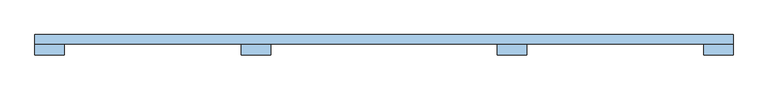
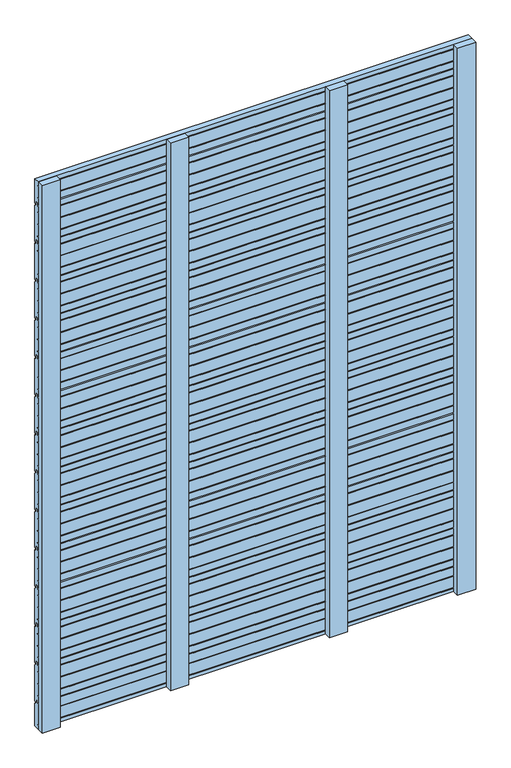
"""IFC4 building model written with IfcOpenShell, lengths in millimetres: window geometry."""

from ifc_helpers import new_model, si_unit, frame, origin, place, context, project, spatial, polyline, outline, extrude, source, transform, mapped, element, save


def window_e622beba(model_context):
    return source(origin(), model_context, "Body", "SweptSolid", [
        extrude(outline(polyline([(144.0, 193.0), (141.0, 190.0), (137.0, 190.0), (137.0, 202.0), (131.0, 202.0), (131.0, 194.0), (124.0, 194.0), (124.0, 218.25), (130.0, 218.25), (130.0, 221.75), (124.0, 221.75), (124.0, 261.8110702), (130.0, 261.8110702), (130.0, 265.3110702), (124.0, 265.3110702), (124.0, 305.3721403), (130.0, 305.3721403), (130.0, 308.8721403), (124.0, 308.8721403), (124.0, 330.0), (131.0, 330.0), (131.0, 340.0), (137.0, 340.0), (137.0, 326.0), (141.0, 326.0), (144.0, 323.0), (144.0, 193.0)])), frame((-750.0, 0.0, 0.0), z_axis=(1.0, 0.0, 0.0), x_axis=(0.0, 1.0, 0.0)), (0.0, 0.0, 1.0), 1500.0),
        extrude(outline(polyline([(144.0, 333.0), (141.0, 330.0), (137.0, 330.0), (137.0, 342.0), (131.0, 342.0), (131.0, 334.0), (124.0, 334.0), (124.0, 358.25), (130.0, 358.25), (130.0, 361.75), (124.0, 361.75), (124.0, 401.8110702), (130.0, 401.8110702), (130.0, 405.3110702), (124.0, 405.3110702), (124.0, 445.3721403), (130.0, 445.3721403), (130.0, 448.8721403), (124.0, 448.8721403), (124.0, 470.0), (131.0, 470.0), (131.0, 480.0), (137.0, 480.0), (137.0, 466.0), (141.0, 466.0), (144.0, 463.0), (144.0, 333.0)])), frame((-750.0, 0.0, 0.0), z_axis=(1.0, 0.0, 0.0), x_axis=(0.0, 1.0, 0.0)), (0.0, 0.0, 1.0), 1500.0),
        extrude(outline(polyline([(144.0, 473.0), (141.0, 470.0), (137.0, 470.0), (137.0, 482.0), (131.0, 482.0), (131.0, 474.0), (124.0, 474.0), (124.0, 498.25), (130.0, 498.25), (130.0, 501.75), (124.0, 501.75), (124.0, 541.8110702), (130.0, 541.8110702), (130.0, 545.3110702), (124.0, 545.3110702), (124.0, 585.3721403), (130.0, 585.3721403), (130.0, 588.8721403), (124.0, 588.8721403), (124.0, 610.0), (131.0, 610.0), (131.0, 620.0), (137.0, 620.0), (137.0, 606.0), (141.0, 606.0), (144.0, 603.0), (144.0, 473.0)])), frame((-750.0, 0.0, 0.0), z_axis=(1.0, 0.0, 0.0), x_axis=(0.0, 1.0, 0.0)), (0.0, 0.0, 1.0), 1500.0),
        extrude(outline(polyline([(144.0, 613.0), (141.0, 610.0), (137.0, 610.0), (137.0, 622.0), (131.0, 622.0), (131.0, 614.0), (124.0, 614.0), (124.0, 638.25), (130.0, 638.25), (130.0, 641.75), (124.0, 641.75), (124.0, 681.8110702), (130.0, 681.8110702), (130.0, 685.3110702), (124.0, 685.3110702), (124.0, 725.3721403), (130.0, 725.3721403), (130.0, 728.8721403), (124.0, 728.8721403), (124.0, 750.0), (131.0, 750.0), (131.0, 760.0), (137.0, 760.0), (137.0, 746.0), (141.0, 746.0), (144.0, 743.0), (144.0, 613.0)])), frame((-750.0, 0.0, 0.0), z_axis=(1.0, 0.0, 0.0), x_axis=(0.0, 1.0, 0.0)), (0.0, 0.0, 1.0), 1500.0),
        extrude(outline(polyline([(144.0, 753.0), (141.0, 750.0), (137.0, 750.0), (137.0, 762.0), (131.0, 762.0), (131.0, 754.0), (124.0, 754.0), (124.0, 778.25), (130.0, 778.25), (130.0, 781.75), (124.0, 781.75), (124.0, 821.8110702), (130.0, 821.8110702), (130.0, 825.3110702), (124.0, 825.3110702), (124.0, 865.3721403), (130.0, 865.3721403), (130.0, 868.8721403), (124.0, 868.8721403), (124.0, 890.0), (131.0, 890.0), (131.0, 900.0), (137.0, 900.0), (137.0, 886.0), (141.0, 886.0), (144.0, 883.0), (144.0, 753.0)])), frame((-750.0, 0.0, 0.0), z_axis=(1.0, 0.0, 0.0), x_axis=(0.0, 1.0, 0.0)), (0.0, 0.0, 1.0), 1500.0),
        extrude(outline(polyline([(144.0, 893.0), (141.0, 890.0), (137.0, 890.0), (137.0, 902.0), (131.0, 902.0), (131.0, 894.0), (124.0, 894.0), (124.0, 918.25), (130.0, 918.25), (130.0, 921.75), (124.0, 921.75), (124.0, 961.8110702), (130.0, 961.8110702), (130.0, 965.3110702), (124.0, 965.3110702), (124.0, 1005.3721403), (130.0, 1005.3721403), (130.0, 1008.8721403), (124.0, 1008.8721403), (124.0, 1030.0), (131.0, 1030.0), (131.0, 1040.0), (137.0, 1040.0), (137.0, 1026.0), (141.0, 1026.0), (144.0, 1023.0), (144.0, 893.0)])), frame((-750.0, 0.0, 0.0), z_axis=(1.0, 0.0, 0.0), x_axis=(0.0, 1.0, 0.0)), (0.0, 0.0, 1.0), 1500.0),
        extrude(outline(polyline([(144.0, 1033.0), (141.0, 1030.0), (137.0, 1030.0), (137.0, 1042.0), (131.0, 1042.0), (131.0, 1034.0), (124.0, 1034.0), (124.0, 1058.25), (130.0, 1058.25), (130.0, 1061.75), (124.0, 1061.75), (124.0, 1101.8110702), (130.0, 1101.8110702), (130.0, 1105.3110702), (124.0, 1105.3110702), (124.0, 1145.3721403), (130.0, 1145.3721403), (130.0, 1148.8721403), (124.0, 1148.8721403), (124.0, 1170.0), (131.0, 1170.0), (131.0, 1180.0), (137.0, 1180.0), (137.0, 1166.0), (141.0, 1166.0), (144.0, 1163.0), (144.0, 1033.0)])), frame((-750.0, 0.0, 0.0), z_axis=(1.0, 0.0, 0.0), x_axis=(0.0, 1.0, 0.0)), (0.0, 0.0, 1.0), 1500.0),
        extrude(outline(polyline([(144.0, 1173.0), (141.0, 1170.0), (137.0, 1170.0), (137.0, 1182.0), (131.0, 1182.0), (131.0, 1174.0), (124.0, 1174.0), (124.0, 1198.25), (130.0, 1198.25), (130.0, 1201.75), (124.0, 1201.75), (124.0, 1241.8110702), (130.0, 1241.8110702), (130.0, 1245.3110702), (124.0, 1245.3110702), (124.0, 1285.3721403), (130.0, 1285.3721403), (130.0, 1288.8721403), (124.0, 1288.8721403), (124.0, 1310.0), (131.0, 1310.0), (131.0, 1320.0), (137.0, 1320.0), (137.0, 1306.0), (141.0, 1306.0), (144.0, 1303.0), (144.0, 1173.0)])), frame((-750.0, 0.0, 0.0), z_axis=(1.0, 0.0, 0.0), x_axis=(0.0, 1.0, 0.0)), (0.0, 0.0, 1.0), 1500.0),
        extrude(outline(polyline([(144.0, 1313.0), (141.0, 1310.0), (137.0, 1310.0), (137.0, 1322.0), (131.0, 1322.0), (131.0, 1314.0), (124.0, 1314.0), (124.0, 1338.25), (130.0, 1338.25), (130.0, 1341.75), (124.0, 1341.75), (124.0, 1381.8110702), (130.0, 1381.8110702), (130.0, 1385.3110702), (124.0, 1385.3110702), (124.0, 1425.3721403), (130.0, 1425.3721403), (130.0, 1428.8721403), (124.0, 1428.8721403), (124.0, 1450.0), (131.0, 1450.0), (131.0, 1460.0), (137.0, 1460.0), (137.0, 1446.0), (141.0, 1446.0), (144.0, 1443.0), (144.0, 1313.0)])), frame((-750.0, 0.0, 0.0), z_axis=(1.0, 0.0, 0.0), x_axis=(0.0, 1.0, 0.0)), (0.0, 0.0, 1.0), 1500.0),
        extrude(outline(polyline([(144.0, 1453.0), (141.0, 1450.0), (137.0, 1450.0), (137.0, 1462.0), (131.0, 1462.0), (131.0, 1454.0), (124.0, 1454.0), (124.0, 1478.25), (130.0, 1478.25), (130.0, 1481.75), (124.0, 1481.75), (124.0, 1521.8110702), (130.0, 1521.8110702), (130.0, 1525.3110702), (124.0, 1525.3110702), (124.0, 1565.3721403), (130.0, 1565.3721403), (130.0, 1568.8721403), (124.0, 1568.8721403), (124.0, 1590.0), (131.0, 1590.0), (131.0, 1600.0), (137.0, 1600.0), (137.0, 1586.0), (141.0, 1586.0), (144.0, 1583.0), (144.0, 1453.0)])), frame((-750.0, 0.0, 0.0), z_axis=(1.0, 0.0, 0.0), x_axis=(0.0, 1.0, 0.0)), (0.0, 0.0, 1.0), 1500.0),
        extrude(outline(polyline([(144.0, 1593.0), (141.0, 1590.0), (137.0, 1590.0), (137.0, 1602.0), (131.0, 1602.0), (131.0, 1594.0), (124.0, 1594.0), (124.0, 1618.25), (130.0, 1618.25), (130.0, 1621.75), (124.0, 1621.75), (124.0, 1661.8110702), (130.0, 1661.8110702), (130.0, 1665.3110702), (124.0, 1665.3110702), (124.0, 1705.3721403), (130.0, 1705.3721403), (130.0, 1708.8721403), (124.0, 1708.8721403), (124.0, 1730.0), (131.0, 1730.0), (131.0, 1740.0), (137.0, 1740.0), (137.0, 1726.0), (141.0, 1726.0), (144.0, 1723.0), (144.0, 1593.0)])), frame((-750.0, 0.0, 0.0), z_axis=(1.0, 0.0, 0.0), x_axis=(0.0, 1.0, 0.0)), (0.0, 0.0, 1.0), 1500.0),
        extrude(outline(polyline([(144.0, 1733.0), (141.0, 1730.0), (137.0, 1730.0), (137.0, 1742.0), (131.0, 1742.0), (131.0, 1734.0), (124.0, 1734.0), (124.0, 1758.25), (130.0, 1758.25), (130.0, 1761.75), (124.0, 1761.75), (124.0, 1801.8110702), (130.0, 1801.8110702), (130.0, 1805.3110702), (124.0, 1805.3110702), (124.0, 1845.3721403), (130.0, 1845.3721403), (130.0, 1848.8721403), (124.0, 1848.8721403), (124.0, 1870.0), (131.0, 1870.0), (131.0, 1880.0), (137.0, 1880.0), (137.0, 1866.0), (141.0, 1866.0), (144.0, 1863.0), (144.0, 1733.0)])), frame((-750.0, 0.0, 0.0), z_axis=(1.0, 0.0, 0.0), x_axis=(0.0, 1.0, 0.0)), (0.0, 0.0, 1.0), 1500.0),
        extrude(outline(polyline([(144.0, 1873.0), (141.0, 1870.0), (137.0, 1870.0), (137.0, 1882.0), (131.0, 1882.0), (131.0, 1874.0), (124.0, 1874.0), (124.0, 1898.25), (130.0, 1898.25), (130.0, 1901.75), (124.0, 1901.75), (124.0, 1941.8110702), (130.0, 1941.8110702), (130.0, 1945.3110702), (124.0, 1945.3110702), (124.0, 1985.3721403), (130.0, 1985.3721403), (130.0, 1988.8721403), (124.0, 1988.8721403), (124.0, 2010.0), (131.0, 2010.0), (131.0, 2020.0), (137.0, 2020.0), (137.0, 2006.0), (141.0, 2006.0), (144.0, 2003.0), (144.0, 1873.0)])), frame((-750.0, 0.0, 0.0), z_axis=(1.0, 0.0, 0.0), x_axis=(0.0, 1.0, 0.0)), (0.0, 0.0, 1.0), 1500.0),
        extrude(outline(polyline([(144.0, 100.0), (124.0, 100.0), (124.0, 111.8110702), (130.0, 111.8110702), (130.0, 115.3110702), (124.0, 115.3110702), (124.0, 155.3721403), (130.0, 155.3721403), (130.0, 158.8721403), (124.0, 158.8721403), (124.0, 190.0), (131.0, 190.0), (131.0, 200.0), (137.0, 200.0), (137.0, 186.0), (141.0, 186.0), (144.0, 183.0), (144.0, 100.0)])), frame((-750.0, 0.0, 0.0), z_axis=(1.0, 0.0, 0.0), x_axis=(0.0, 1.0, 0.0)), (0.0, 0.0, 1.0), 1500.0),
        extrude(outline(polyline([(144.0, 2013.0), (141.0, 2010.0), (137.0, 2010.0), (137.0, 2022.0), (131.0, 2022.0), (131.0, 2014.0), (124.0, 2014.0), (124.0, 2038.25), (130.0, 2038.25), (130.0, 2041.75), (124.0, 2041.75), (124.0, 2081.8110702), (130.0, 2081.8110702), (130.0, 2085.3110702), (124.0, 2085.3110702), (124.0, 2100.0), (144.0, 2100.0), (144.0, 2013.0)])), frame((-750.0, 0.0, 0.0), z_axis=(1.0, 0.0, 0.0), x_axis=(0.0, 1.0, 0.0)), (0.0, 0.0, 1.0), 1500.0),
        extrude(outline(polyline([(-306.5, 124.0), (-243.5, 124.0), (-243.5, 100.0), (-306.5, 100.0), (-306.5, 124.0)])), frame((0.0, 0.0, 100.0), z_axis=(0.0, 0.0, 1.0), x_axis=(1.0, 0.0, 0.0)), (0.0, 0.0, 1.0), 2000.0),
        extrude(outline(polyline([(243.5, 124.0), (306.5, 124.0), (306.5, 100.0), (243.5, 100.0), (243.5, 124.0)])), frame((0.0, 0.0, 100.0), z_axis=(0.0, 0.0, 1.0), x_axis=(1.0, 0.0, 0.0)), (0.0, 0.0, 1.0), 2000.0),
        extrude(outline(polyline([(-750.0, 124.0), (-687.0, 124.0), (-687.0, 100.0), (-750.0, 100.0), (-750.0, 124.0)])), frame((0.0, 0.0, 100.0), z_axis=(0.0, 0.0, 1.0), x_axis=(1.0, 0.0, 0.0)), (0.0, 0.0, 1.0), 2000.0),
        extrude(outline(polyline([(687.0, 124.0), (750.0, 124.0), (750.0, 100.0), (687.0, 100.0), (687.0, 124.0)])), frame((0.0, 0.0, 100.0), z_axis=(0.0, 0.0, 1.0), x_axis=(1.0, 0.0, 0.0)), (0.0, 0.0, 1.0), 2000.0),
    ])


if __name__ == "__main__":
    model = new_model("IFC4")
    model_context = context("Model", 3, world=origin())
    ifc_project = project(units=[si_unit("LENGTHUNIT", "METRE", prefix="MILLI")], contexts=[model_context])
    site = spatial("IfcSite", under=ifc_project)
    building = spatial("IfcBuilding", under=site)
    placement = place(None, origin())
    window_shape = window_e622beba(model_context)
    element("IfcWindow", 1, at=placement, inside=building, context=model_context, shape_type="MappedRepresentation", body=[
        mapped(window_shape, transform((0.0, 0.0, 0.0), x_axis=(1.0, 0.0, 0.0), y_axis=(0.0, 1.0, 0.0), z_axis=(0.0, 0.0, 1.0))),
    ])
    save(model, "model.ifc")
